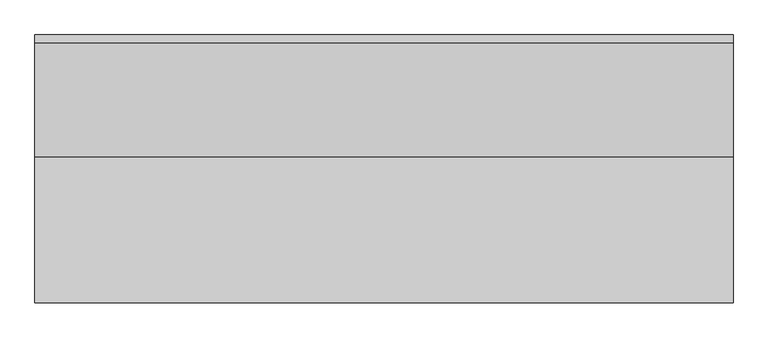
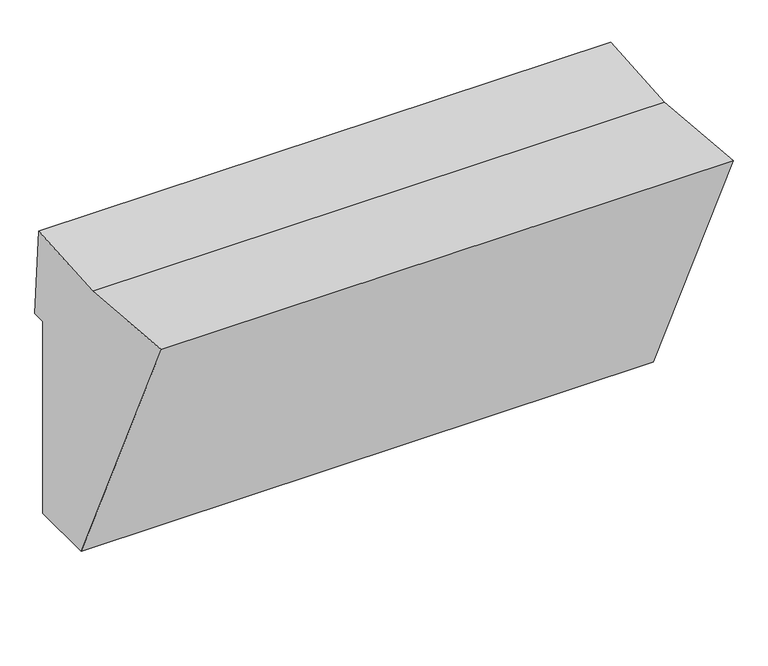
"""IFC4 building model written with IfcOpenShell, lengths in millimetres: proxy geometry."""

from ifc_helpers import new_model, si_unit, frame, origin, place, context, project, spatial, polyline, outline, extrude, source, transform, mapped, element, save


def generic_models_20851207(model_context):
    return source(origin(), model_context, "Body", "SweptSolid", [
        extrude(outline(polyline([(1987.0108592, -1125.0), (943.5939887, 1112.6146998), (1840.169217, 1034.1745314), (2540.3137617, 1086.8028461), (2591.9392106, 400.0), (2487.0108592, 400.0), (2487.0108592, -1125.0), (1987.0108592, -1125.0)])), frame((-2229.3271688, 0.0, 0.0), z_axis=(1.0, 0.0, 0.0), x_axis=(0.0, 1.0, 0.0)), (0.0, 0.0, 1.0), 4300.0),
    ])


if __name__ == "__main__":
    model = new_model("IFC4")
    model_context = context("Model", 3, world=origin())
    ifc_project = project(units=[si_unit("LENGTHUNIT", "METRE", prefix="MILLI")], contexts=[model_context])
    site = spatial("IfcSite", under=ifc_project)
    building = spatial("IfcBuilding", under=site)
    placement = place(None, origin())
    generic_models_shape = generic_models_20851207(model_context)
    element("IfcBuildingElementProxy", 1, Name="Generic Models", at=placement, inside=building, context=model_context, shape_type="MappedRepresentation", body=[
        mapped(generic_models_shape, transform((0.0, 0.0, 0.0), x_axis=(1.0, 0.0, 0.0), y_axis=(0.0, 1.0, 0.0), z_axis=(0.0, 0.0, 1.0))),
    ])
    save(model, "model.ifc")
